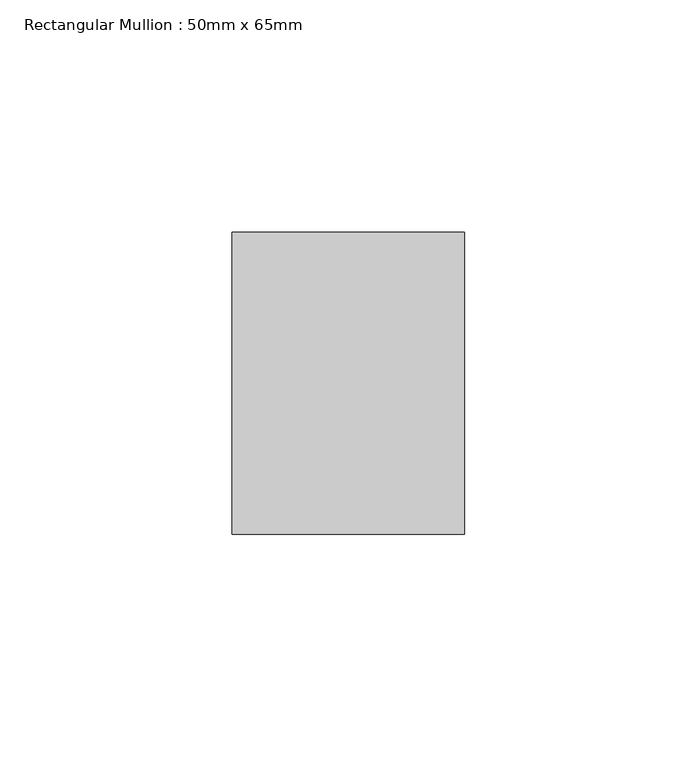
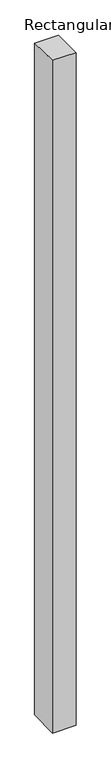
"""IFC4 building model written with IfcOpenShell, lengths in millimetres: member geometry, Rectangular Mullion : 50mm x 65mm."""

from ifc_helpers import new_model, si_unit, origin, place, context, project, spatial, faceted_brep, source, transform, mapped, element, save


def rectangular_mullion_50mm_x_65mm_93ffc330(model_context):
    return source(origin(), model_context, "Body", "Brep", [
        faceted_brep([(-25.0, 32.5, -0.4518168), (25.0, 32.5, -0.4518134), (25.0, 32.5, -1499.4314053), (-25.0, 32.5, -1499.4314011), (-25.0, -32.5, 0.4518134), (-25.0, -32.5, -1500.5680413), (25.0, -32.5, 0.4518168), (25.0, -32.5, -1500.5680455)], [[[0, 1, 2, 3]], [[4, 0, 3, 5]], [[6, 4, 5, 7]], [[1, 6, 7, 2]], [[1, 0, 4, 6]], [[2, 7, 5, 3]]]),
    ])


if __name__ == "__main__":
    model = new_model("IFC4")
    model_context = context("Model", 3, world=origin())
    ifc_project = project(units=[si_unit("LENGTHUNIT", "METRE", prefix="MILLI")], contexts=[model_context])
    site = spatial("IfcSite", under=ifc_project)
    building = spatial("IfcBuilding", under=site)
    placement = place(None, origin())
    rectangular_mullion_50mm_x_65mm_shape = rectangular_mullion_50mm_x_65mm_93ffc330(model_context)
    element("IfcMember", 1, ObjectType="Rectangular Mullion : 50mm x 65mm", at=placement, inside=building, context=model_context, shape_type="MappedRepresentation", body=[
        mapped(rectangular_mullion_50mm_x_65mm_shape, transform((0.0, 0.0, 0.0), x_axis=(1.0, 0.0, 0.0), y_axis=(0.0, 1.0, 0.0), z_axis=(0.0, 0.0, 1.0))),
    ])
    save(model, "model.ifc")
